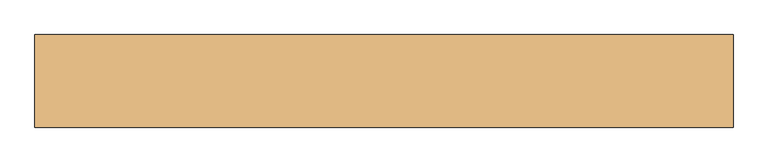
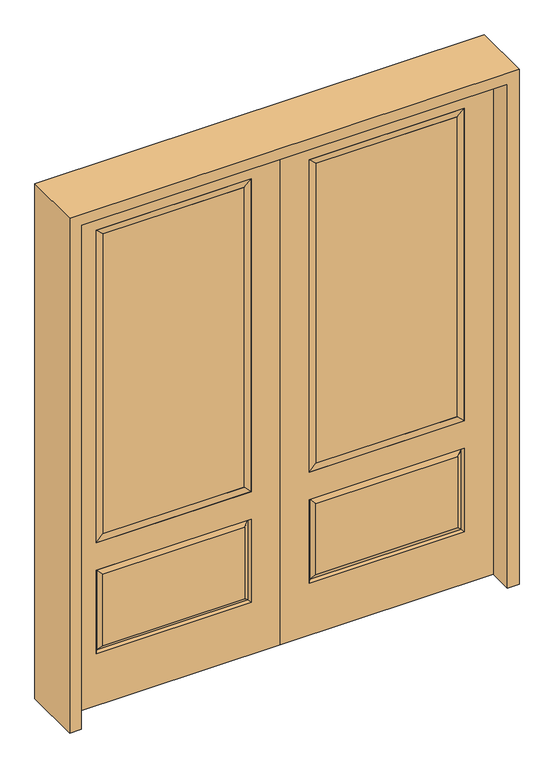
"""IFC4 building model written with IfcOpenShell, lengths in millimetres: door geometry."""

from ifc_helpers import new_model, si_unit, frame, origin, place, context, project, spatial, polyline, outline, extrude, faceted_brep, source, transform, mapped, element, save


def door_119e1ebc(model_context):
    return source(origin(), model_context, "Body", "SolidModel", [
        faceted_brep([(694.5661499, -12.7912373, 216.6588501), (677.06875, -22.225, 234.15625), (135.73125, -22.225, 234.15625), (118.2338501, -12.7912373, 216.6588501), (111.125, -22.225, 209.55), (701.675, -22.225, 209.55), (701.675, -22.225, 546.1), (694.5661499, -12.7912373, 538.9911499), (0.0, -22.225, 2032.0), (0.0, -22.225, 0.0), (812.8, -22.225, 0.0), (812.8, -22.225, 2032.0), (111.125, -22.225, 546.1), (111.125, -22.225, 1917.7), (701.675, -22.225, 1917.7), (701.675, -22.225, 657.098), (111.125, -22.225, 657.098), (677.06875, -22.225, 521.49375), (135.73125, -22.225, 521.49375), (118.2338501, -12.7912373, 538.9911499), (812.8, 22.225, 0.0), (812.8, 22.225, 2032.0), (0.0, 22.225, 0.0), (0.0, 22.225, 2032.0), (111.125, 22.225, 657.098), (111.125, 22.225, 1917.7), (701.675, 22.225, 657.098), (701.675, 22.225, 1917.7), (135.73125, 22.225, 234.15625), (135.73125, 22.225, 521.49375), (677.06875, 22.225, 521.49375), (677.06875, 22.225, 234.15625), (701.675, 22.225, 209.55), (701.675, 22.225, 546.1), (111.125, 22.225, 546.1), (111.125, 22.225, 209.55), (118.2338501, 12.7912373, 216.6588501), (694.5661499, 12.7912373, 216.6588501), (118.2338501, 12.7912373, 538.9911499), (694.5661499, 12.7912373, 538.9911499)], [[[0, 1, 2, 3]], [[3, 4, 5, 0]], [[5, 6, 7, 0]], [[8, 9, 10, 11], [4, 12, 6, 5], [13, 14, 15, 16]], [[1, 17, 18, 2]], [[3, 19, 12, 4]], [[2, 18, 19, 3]], [[0, 7, 17, 1]], [[6, 12, 19, 7]], [[7, 19, 18, 17]], [[10, 20, 21, 11]], [[9, 22, 20, 10]], [[8, 23, 22, 9]], [[16, 24, 25, 13]], [[15, 26, 24, 16]], [[14, 27, 26, 15]], [[28, 29, 30, 31]], [[23, 21, 20, 22], [25, 24, 26, 27], [32, 33, 34, 35]], [[32, 35, 36, 37]], [[35, 34, 38, 36]], [[39, 38, 34, 33]], [[37, 39, 33, 32]], [[36, 28, 31, 37]], [[31, 30, 39, 37]], [[30, 29, 38, 39]], [[36, 38, 29, 28]], [[11, 21, 23, 8]], [[13, 25, 27, 14]]]),
        faceted_brep([(701.675, -22.225, 1917.7), (701.675, -22.225, 657.098), (701.675, 22.225, 657.098), (701.675, 22.225, 1917.7), (111.125, -22.225, 657.098), (111.125, 22.225, 657.098), (136.525, 5.08, 682.498), (676.275, 5.08, 682.498), (111.125, -22.225, 1917.7), (111.125, 22.225, 1917.7), (676.275, -20.32, 682.498), (136.525, -20.32, 682.498), (676.275, -20.32, 1892.3), (136.525, -20.32, 1892.3), (676.275, 5.08, 1892.3), (136.525, 5.08, 1892.3)], [[[0, 1, 2, 3]], [[1, 4, 5, 2]], [[2, 5, 6, 7]], [[4, 8, 9, 5]], [[10, 11, 4, 1]], [[12, 10, 1, 0]], [[11, 13, 8, 4]], [[7, 6, 11, 10]], [[14, 7, 10, 12]], [[6, 15, 13, 11]], [[3, 2, 7, 14]], [[5, 9, 15, 6]], [[8, 0, 3, 9]], [[13, 12, 0, 8]], [[15, 14, 12, 13]], [[9, 3, 14, 15]]]),
        extrude(outline(polyline([(136.525, -20.32), (136.525, 5.08), (676.275, 5.08), (676.275, -20.32), (136.525, -20.32)])), frame((0.0, 0.0, 682.498), z_axis=(0.0, 0.0, 1.0), x_axis=(1.0, 0.0, 0.0)), (0.0, 0.0, 1.0), 1209.802),
        faceted_brep([(-694.5661499, -12.7912373, 216.6588501), (-118.2338501, -12.7912373, 216.6588501), (-135.73125, -22.225, 234.15625), (-677.06875, -22.225, 234.15625), (-701.675, -22.225, 209.55), (-111.125, -22.225, 209.55), (-694.5661499, -12.7912373, 538.9911499), (-701.675, -22.225, 546.1), (-135.73125, -22.225, 521.49375), (-677.06875, -22.225, 521.49375), (0.0, -22.225, 2032.0), (-812.8, -22.225, 2032.0), (-812.8, -22.225, 0.0), (0.0, -22.225, 0.0), (-111.125, -22.225, 546.1), (-111.125, -22.225, 1917.7), (-111.125, -22.225, 657.098), (-701.675, -22.225, 657.098), (-701.675, -22.225, 1917.7), (-118.2338501, -12.7912373, 538.9911499), (-812.8, 22.225, 2032.0), (-812.8, 22.225, 0.0), (0.0, 22.225, 0.0), (0.0, 22.225, 2032.0), (-111.125, 22.225, 1917.7), (-111.125, 22.225, 657.098), (-701.675, 22.225, 657.098), (-701.675, 22.225, 1917.7), (-701.675, 22.225, 209.55), (-111.125, 22.225, 209.55), (-111.125, 22.225, 546.1), (-701.675, 22.225, 546.1), (-135.73125, 22.225, 234.15625), (-677.06875, 22.225, 234.15625), (-677.06875, 22.225, 521.49375), (-135.73125, 22.225, 521.49375), (-694.5661499, 12.7912373, 216.6588501), (-118.2338501, 12.7912373, 216.6588501), (-118.2338501, 12.7912373, 538.9911499), (-694.5661499, 12.7912373, 538.9911499)], [[[0, 1, 2, 3]], [[1, 0, 4, 5]], [[4, 0, 6, 7]], [[3, 2, 8, 9]], [[10, 11, 12, 13], [5, 4, 7, 14], [15, 16, 17, 18]], [[1, 5, 14, 19]], [[2, 1, 19, 8]], [[0, 3, 9, 6]], [[7, 6, 19, 14]], [[6, 9, 8, 19]], [[12, 11, 20, 21]], [[13, 12, 21, 22]], [[10, 13, 22, 23]], [[16, 15, 24, 25]], [[17, 16, 25, 26]], [[18, 17, 26, 27]], [[23, 22, 21, 20], [28, 29, 30, 31], [24, 27, 26, 25]], [[32, 33, 34, 35]], [[28, 36, 37, 29]], [[29, 37, 38, 30]], [[39, 31, 30, 38]], [[36, 28, 31, 39]], [[37, 36, 33, 32]], [[33, 36, 39, 34]], [[34, 39, 38, 35]], [[37, 32, 35, 38]], [[11, 10, 23, 20]], [[15, 18, 27, 24]]]),
        faceted_brep([(-701.675, -22.225, 1917.7), (-701.675, 22.225, 1917.7), (-701.675, 22.225, 657.098), (-701.675, -22.225, 657.098), (-111.125, 22.225, 657.098), (-111.125, -22.225, 657.098), (-676.275, 5.08, 682.498), (-136.525, 5.08, 682.498), (-111.125, 22.225, 1917.7), (-111.125, -22.225, 1917.7), (-676.275, -20.32, 682.498), (-136.525, -20.32, 682.498), (-676.275, -20.32, 1892.3), (-136.525, -20.32, 1892.3), (-676.275, 5.08, 1892.3), (-136.525, 5.08, 1892.3)], [[[0, 1, 2, 3]], [[3, 2, 4, 5]], [[2, 6, 7, 4]], [[5, 4, 8, 9]], [[10, 3, 5, 11]], [[12, 0, 3, 10]], [[11, 5, 9, 13]], [[6, 10, 11, 7]], [[14, 12, 10, 6]], [[7, 11, 13, 15]], [[1, 14, 6, 2]], [[4, 7, 15, 8]], [[9, 8, 1, 0]], [[13, 9, 0, 12]], [[15, 13, 12, 14]], [[8, 15, 14, 1]]]),
        extrude(outline(polyline([(-136.525, -20.32), (-676.275, -20.32), (-676.275, 5.08), (-136.525, 5.08), (-136.525, -20.32)])), frame((0.0, 0.0, 682.498), z_axis=(0.0, 0.0, 1.0), x_axis=(1.0, 0.0, 0.0)), (0.0, 0.0, 1.0), 1209.802),
        extrude(outline(polyline([(2076.45, -857.25), (0.0, -857.25), (0.0, -812.8), (2032.0, -812.8), (2032.0, 812.8), (0.0, 812.8), (0.0, 857.25), (2076.45, 857.25), (2076.45, -857.25)])), frame((0.0, -114.3, 0.0), z_axis=(0.0, 1.0, 0.0), x_axis=(0.0, 0.0, 1.0)), (0.0, 0.0, 1.0), 228.6),
    ])


if __name__ == "__main__":
    model = new_model("IFC4")
    model_context = context("Model", 3, world=origin())
    ifc_project = project(units=[si_unit("LENGTHUNIT", "METRE", prefix="MILLI")], contexts=[model_context])
    site = spatial("IfcSite", under=ifc_project)
    building = spatial("IfcBuilding", under=site)
    placement = place(None, origin())
    door_shape = door_119e1ebc(model_context)
    element("IfcDoor", 1, at=placement, inside=building, context=model_context, shape_type="MappedRepresentation", body=[
        mapped(door_shape, transform((0.0, 0.0, 0.0), x_axis=(1.0, 0.0, 0.0), y_axis=(0.0, 1.0, 0.0), z_axis=(0.0, 0.0, 1.0))),
    ])
    save(model, "model.ifc")
